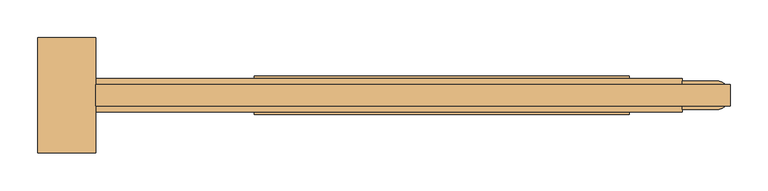
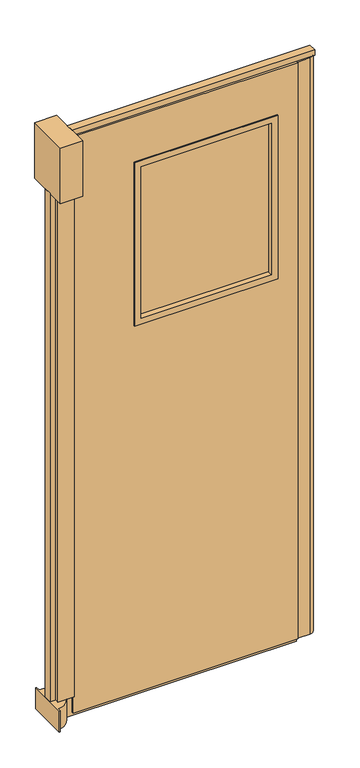
"""IFC4 building model written with IfcOpenShell, lengths in millimetres: door geometry."""

from ifc_helpers import new_model, si_unit, point, frame, frame_2d, origin, origin_with_axes, place, context, project, spatial, polyline, circle_curve, trimmed, segment, composite_curve, outline, extrude, source, transform, mapped, element, save


def door_b8909b06(model_context):
    return source(origin(), model_context, "Body", "SweptSolid", [
        extrude(outline(composite_curve([segment(polyline([(1178.8656968, -792.7910438), (1178.8656968, -805.5793065)]), True, "CONTINUOUS"), segment(trimmed(circle_curve(frame_2d((1175.6906968, -862.6410438)), 57.15), [point((1178.8656968, -805.5793065))], [point((1178.8656968, -919.7027812))], False, "CARTESIAN"), True, "CONTINUOUS"), segment(polyline([(1178.8656968, -919.7027812), (1178.8656968, -932.4910438), (1175.6906968, -932.4910438), (1175.6906968, -792.7910438), (1178.8656968, -792.7910438)]), True, "CONTINUOUS")], self_intersect=False)), origin_with_axes(), (0.0, 0.0, 1.0), 76.2),
        extrude(outline(polyline([(0.0, 2026.5906968), (12.7, 2026.5906968), (12.7, 1251.8906968), (76.2, 1251.8906968), (76.2, 1232.8406968), (0.0, 1232.8406968), (0.0, 2026.5906968)])), frame((0.0, -877.0932133, 0.0), z_axis=(0.0, 1.0, 0.0), x_axis=(0.0, 0.0, 1.0)), (0.0, 0.0, 1.0), 28.8005507),
        extrude(outline(polyline([(2090.0906968, -877.0932133), (1251.8906968, -877.0932133), (1251.8906968, -848.2926626), (2090.0906968, -848.2926626), (2090.0906968, -877.0932133)])), frame((0.0, 0.0, 2114.55), z_axis=(0.0, 0.0, 1.0), x_axis=(1.0, 0.0, 0.0)), (0.0, 0.0, 1.0), 19.05),
        extrude(outline(polyline([(1194.7406968, -877.0932133), (1175.6906968, -877.0932133), (1175.6906968, -848.2926626), (1194.7406968, -848.2926626), (1194.7406968, -877.0932133)])), frame((0.0, 0.0, 76.2), z_axis=(0.0, 0.0, 1.0), x_axis=(1.0, 0.0, 0.0)), (0.0, 0.0, 1.0), 1854.2),
        extrude(outline(composite_curve([segment(polyline([(2026.5906968, -843.5910438), (2071.0406968, -843.5910438)]), True, "CONTINUOUS"), segment(trimmed(circle_curve(frame_2d((2071.0406968, -862.6410438)), 19.05), [point((2071.0406968, -843.5910438))], [point((2071.0406968, -881.6910438))], False, "CARTESIAN"), True, "CONTINUOUS"), segment(polyline([(2071.0406968, -881.6910438), (2026.5906968, -881.6910438), (2026.5906968, -843.5910438)]), True, "CONTINUOUS")], self_intersect=False)), frame((0.0, 0.0, 12.7), z_axis=(0.0, 0.0, 1.0), x_axis=(1.0, 0.0, 0.0)), (0.0, 0.0, 1.0), 2101.85),
        extrude(outline(polyline([(1251.8906968, -890.4222938), (1194.7406968, -890.4222938), (1194.7406968, -834.8597938), (1251.8906968, -834.8597938), (1251.8906968, -890.4222938)])), frame((0.0, 0.0, 76.2), z_axis=(0.0, 0.0, 1.0), x_axis=(1.0, 0.0, 0.0)), (0.0, 0.0, 1.0), 1854.2),
        extrude(outline(polyline([(1251.8906968, -938.8410438), (1175.6906968, -938.8410438), (1175.6906968, -786.4410438), (1251.8906968, -786.4410438), (1251.8906968, -938.8410438)])), frame((0.0, 0.0, 1930.4), z_axis=(0.0, 0.0, 1.0), x_axis=(1.0, 0.0, 0.0)), (0.0, 0.0, 1.0), 203.2),
        extrude(outline(polyline([(1934.5156968, -868.9910438), (1483.6656968, -868.9910438), (1483.6656968, -856.2910438), (1934.5156968, -856.2910438), (1934.5156968, -868.9910438)])), frame((0.0, 0.0, 1374.775), z_axis=(0.0, 0.0, 1.0), x_axis=(1.0, 0.0, 0.0)), (0.0, 0.0, 1.0), 552.45),
        extrude(outline(polyline([(1949.45, 1956.7406968), (1949.45, 1461.4406968), (1352.55, 1461.4406968), (1352.55, 1956.7406968), (1949.45, 1956.7406968)]), holes=[polyline([(1374.775, 1934.5156968), (1374.775, 1483.6656968), (1927.225, 1483.6656968), (1927.225, 1934.5156968), (1374.775, 1934.5156968)])]), frame((0.0, -888.0410438, 0.0), z_axis=(0.0, 1.0, 0.0), x_axis=(0.0, 0.0, 1.0)), (0.0, 0.0, 1.0), 50.8),
        extrude(outline(polyline([(2114.55, 2026.5906968), (2114.55, 1251.8906968), (12.7, 1251.8906968), (12.7, 2026.5906968), (2114.55, 2026.5906968)]), holes=[polyline([(1930.4, 1937.6906968), (1371.6, 1937.6906968), (1371.6, 1480.4906968), (1930.4, 1480.4906968), (1930.4, 1937.6906968)])]), frame((0.0, -884.8660438, 0.0), z_axis=(0.0, 1.0, 0.0), x_axis=(0.0, 0.0, 1.0)), (0.0, 0.0, 1.0), 44.45),
    ])


if __name__ == "__main__":
    model = new_model("IFC4")
    model_context = context("Model", 3, world=origin())
    ifc_project = project(units=[si_unit("LENGTHUNIT", "METRE", prefix="MILLI")], contexts=[model_context])
    site = spatial("IfcSite", under=ifc_project)
    building = spatial("IfcBuilding", under=site)
    placement = place(None, origin())
    door_shape = door_b8909b06(model_context)
    element("IfcDoor", 1, at=placement, inside=building, context=model_context, shape_type="MappedRepresentation", body=[
        mapped(door_shape, transform((0.0, 0.0, 0.0), x_axis=(1.0, 0.0, 0.0), y_axis=(0.0, 1.0, 0.0), z_axis=(0.0, 0.0, 1.0))),
    ])
    save(model, "model.ifc")
